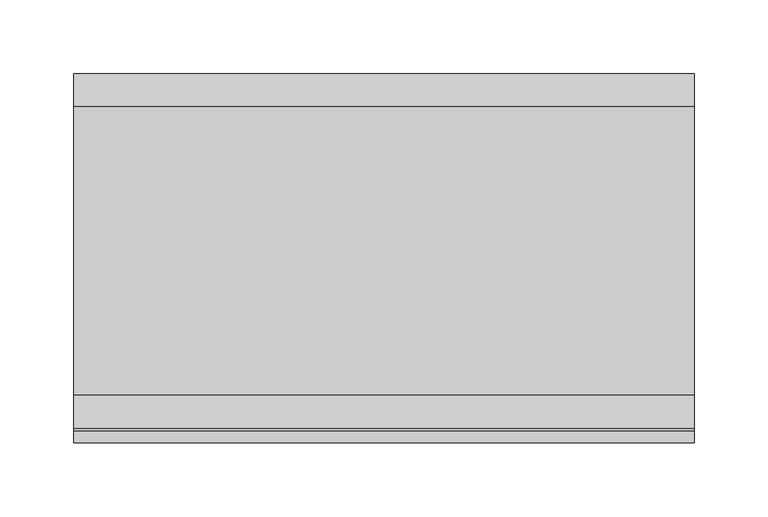
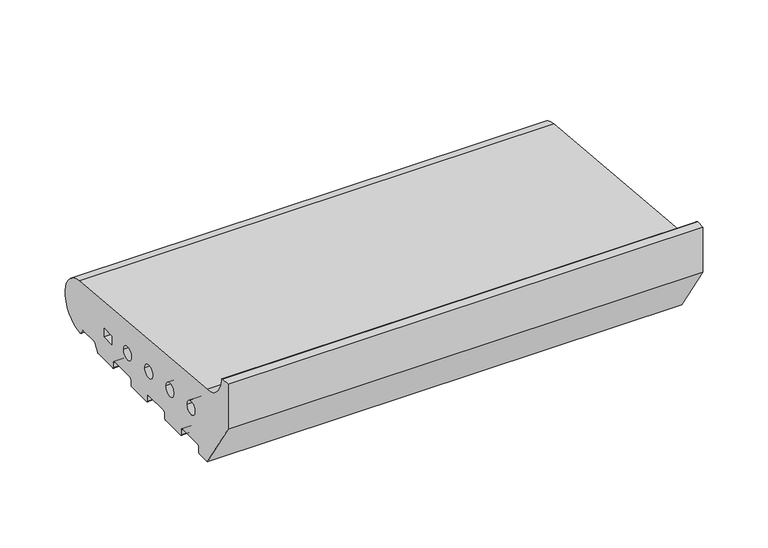
"""IFC4 building model written with IfcOpenShell, lengths in millimetres: proxy geometry."""

from ifc_helpers import new_model, si_unit, point, frame, frame_2d, origin, place, context, project, spatial, polyline, circle_curve, trimmed, segment, composite_curve, outline, extrude, source, transform, mapped, element, save


def generic_models_15a0b19f(model_context):
    return source(origin(), model_context, "Body", "SweptSolid", [
        extrude(outline(composite_curve([segment(trimmed(circle_curve(frame_2d((26.0, 26.5)), 24.0), [point((28.0858073, 50.4091909))], [point((26.5981483, 2.5074549))], False, "CARTESIAN"), True, "CONTINUOUS"), segment(trimmed(circle_curve(frame_2d((26.5732255, 3.5071443)), 1.0), [point((26.5981483, 2.5074549))], [point((25.7072001, 3.0071443))], False, "CARTESIAN"), True, "CONTINUOUS"), segment(polyline([(25.7072001, 3.0071443), (23.6905989, 6.5)]), True, "CONTINUOUS"), segment(trimmed(circle_curve(frame_2d((21.9585481, 5.5)), 2.0), [point((23.6905989, 6.5))], [point((21.9585481, 7.5))], True, "CARTESIAN"), True, "CONTINUOUS"), segment(polyline([(21.9585481, 7.5), (5.4848276, 7.5)]), True, "CONTINUOUS"), segment(trimmed(circle_curve(frame_2d((5.4848276, 5.5)), 2.0), [point((5.4848276, 7.5))], [point((3.7527767, 6.5))], True, "CARTESIAN"), True, "CONTINUOUS"), segment(polyline([(3.7527767, 6.5), (0.2886751, 0.5)]), True, "CONTINUOUS"), segment(trimmed(circle_curve(frame_2d((-0.5773503, 1.0)), 1.0), [point((0.2886751, 0.5))], [point((-0.5773503, 0.0))], False, "CARTESIAN"), True, "CONTINUOUS"), segment(polyline([(-0.5773503, 0.0), (-23.0, 0.0)]), True, "CONTINUOUS"), segment(trimmed(circle_curve(frame_2d((-23.0, 1.0)), 1.0), [point((-23.0, 0.0))], [point((-24.0, 1.0))], False, "CARTESIAN"), True, "CONTINUOUS"), segment(polyline([(-24.0, 1.0), (-24.0, 5.5)]), True, "CONTINUOUS"), segment(trimmed(circle_curve(frame_2d((-26.0, 5.5)), 2.0), [point((-24.0, 5.5))], [point((-26.0, 7.5))], True, "CARTESIAN"), True, "CONTINUOUS"), segment(polyline([(-26.0, 7.5), (-49.0, 7.5)]), True, "CONTINUOUS"), segment(trimmed(circle_curve(frame_2d((-49.0, 5.5)), 2.0), [point((-49.0, 7.5))], [point((-51.0, 5.5))], True, "CARTESIAN"), True, "CONTINUOUS"), segment(polyline([(-51.0, 5.5), (-51.0, 1.0)]), True, "CONTINUOUS"), segment(trimmed(circle_curve(frame_2d((-52.0, 1.0)), 1.0), [point((-51.0, 1.0))], [point((-52.0, 0.0))], False, "CARTESIAN"), True, "CONTINUOUS"), segment(polyline([(-52.0, 0.0), (-75.0, 0.0)]), True, "CONTINUOUS"), segment(trimmed(circle_curve(frame_2d((-75.0, 1.0)), 1.0), [point((-75.0, 0.0))], [point((-76.0, 1.0))], False, "CARTESIAN"), True, "CONTINUOUS"), segment(polyline([(-76.0, 1.0), (-76.0, 5.5)]), True, "CONTINUOUS"), segment(trimmed(circle_curve(frame_2d((-78.0, 5.5)), 2.0), [point((-76.0, 5.5))], [point((-78.0, 7.5))], True, "CARTESIAN"), True, "CONTINUOUS"), segment(polyline([(-78.0, 7.5), (-101.0, 7.5)]), True, "CONTINUOUS"), segment(trimmed(circle_curve(frame_2d((-101.0, 5.5)), 2.0), [point((-101.0, 7.5))], [point((-103.0, 5.5))], True, "CARTESIAN"), True, "CONTINUOUS"), segment(polyline([(-103.0, 5.5), (-103.0, 1.0)]), True, "CONTINUOUS"), segment(trimmed(circle_curve(frame_2d((-104.0, 1.0)), 1.0), [point((-103.0, 1.0))], [point((-104.0, 0.0))], False, "CARTESIAN"), True, "CONTINUOUS"), segment(polyline([(-104.0, 0.0), (-127.0, 0.0)]), True, "CONTINUOUS"), segment(trimmed(circle_curve(frame_2d((-127.0, 1.0)), 1.0), [point((-127.0, 0.0))], [point((-128.0, 1.0))], False, "CARTESIAN"), True, "CONTINUOUS"), segment(polyline([(-128.0, 1.0), (-128.0, 5.5)]), True, "CONTINUOUS"), segment(trimmed(circle_curve(frame_2d((-130.0, 5.5)), 2.0), [point((-128.0, 5.5))], [point((-130.0, 7.5))], True, "CARTESIAN"), True, "CONTINUOUS"), segment(polyline([(-130.0, 7.5), (-153.0, 7.5)]), True, "CONTINUOUS"), segment(trimmed(circle_curve(frame_2d((-153.0, 5.5)), 2.0), [point((-153.0, 7.5))], [point((-155.0, 5.5))], True, "CARTESIAN"), True, "CONTINUOUS"), segment(polyline([(-155.0, 5.5), (-155.0, 1.0)]), True, "CONTINUOUS"), segment(trimmed(circle_curve(frame_2d((-156.0, 1.0)), 1.0), [point((-155.0, 1.0))], [point((-156.0, 0.0))], False, "CARTESIAN"), True, "CONTINUOUS"), segment(polyline([(-156.0, 0.0), (-168.0, 0.0), (-200.0, 50.0), (-200.0, 91.9790981), (-191.9246962, 91.9790981)]), True, "CONTINUOUS"), segment(trimmed(circle_curve(frame_2d((-191.9246962, 89.9790981)), 2.0), [point((-191.9246962, 91.9790981))], [point((-189.9303588, 90.1294924))], False, "CARTESIAN"), True, "CONTINUOUS"), segment(trimmed(circle_curve(frame_2d((-165.4032519, 91.9790985)), 24.5967481), [point((-189.9303588, 90.1294924))], [point((-167.5409218, 67.4754175))], True, "CARTESIAN"), True, "CONTINUOUS"), segment(polyline([(-167.5409218, 67.4754175), (28.0858073, 50.4091909)]), True, "CONTINUOUS")], self_intersect=False), holes=[polyline([(-21.5, 20.9289), (-9.5, 20.9289), (-9.5, 28.9289), (-21.5, 28.9289), (-21.5, 20.9289)]), composite_curve([segment(trimmed(circle_curve(frame_2d((-45.5, 27.333)), 6.0), [point((-51.5, 27.333))], [point((-39.5, 27.333))], True, "CARTESIAN"), True, "CONTINUOUS"), segment(trimmed(circle_curve(frame_2d((-45.5, 27.333)), 6.0), [point((-39.5, 27.333))], [point((-51.5, 27.333))], True, "CARTESIAN"), True, "CONTINUOUS")], self_intersect=False), composite_curve([segment(trimmed(circle_curve(frame_2d((-78.0, 30.0)), 6.0), [point((-84.0, 30.0))], [point((-72.0, 30.0))], True, "CARTESIAN"), True, "CONTINUOUS"), segment(trimmed(circle_curve(frame_2d((-78.0, 30.0)), 6.0), [point((-72.0, 30.0))], [point((-84.0, 30.0))], True, "CARTESIAN"), True, "CONTINUOUS")], self_intersect=False), composite_curve([segment(trimmed(circle_curve(frame_2d((-110.5, 32.667)), 6.0), [point((-116.5, 32.667))], [point((-104.5, 32.667))], True, "CARTESIAN"), True, "CONTINUOUS"), segment(trimmed(circle_curve(frame_2d((-110.5, 32.667)), 6.0), [point((-104.5, 32.667))], [point((-116.5, 32.667))], True, "CARTESIAN"), True, "CONTINUOUS")], self_intersect=False), composite_curve([segment(trimmed(circle_curve(frame_2d((-143.0, 35.334)), 6.0), [point((-149.0, 35.334))], [point((-137.0, 35.334))], True, "CARTESIAN"), True, "CONTINUOUS"), segment(trimmed(circle_curve(frame_2d((-143.0, 35.334)), 6.0), [point((-137.0, 35.334))], [point((-149.0, 35.334))], True, "CARTESIAN"), True, "CONTINUOUS")], self_intersect=False)]), frame((0.0, 0.0, 0.0), z_axis=(1.0, 0.0, 0.0), x_axis=(0.0, 1.0, 0.0)), (0.0, 0.0, 1.0), 420.0),
    ])


if __name__ == "__main__":
    model = new_model("IFC4")
    model_context = context("Model", 3, world=origin())
    ifc_project = project(units=[si_unit("LENGTHUNIT", "METRE", prefix="MILLI")], contexts=[model_context])
    site = spatial("IfcSite", under=ifc_project)
    building = spatial("IfcBuilding", under=site)
    placement = place(None, origin())
    generic_models_shape = generic_models_15a0b19f(model_context)
    element("IfcBuildingElementProxy", 1, Name="Generic Models", at=placement, inside=building, context=model_context, shape_type="MappedRepresentation", body=[
        mapped(generic_models_shape, transform((0.0, 0.0, 0.0), x_axis=(1.0, 0.0, 0.0), y_axis=(0.0, 1.0, 0.0), z_axis=(0.0, 0.0, 1.0))),
    ])
    save(model, "model.ifc")
